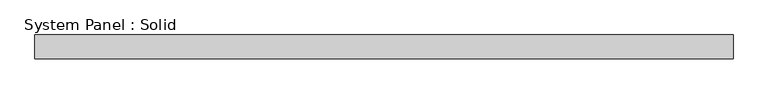
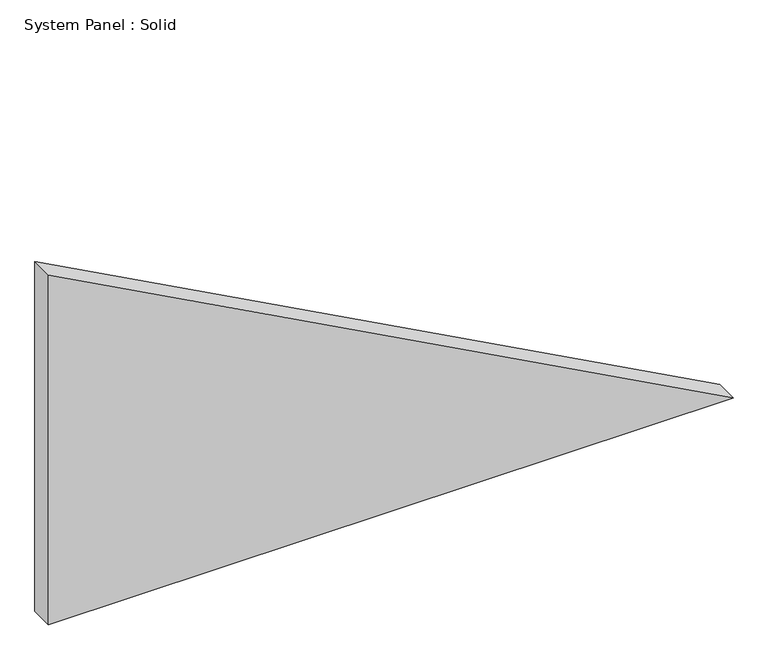
"""IFC4 building model written with IfcOpenShell, lengths in millimetres: plate geometry, System Panel : Solid."""

from ifc_helpers import new_model, si_unit, frame, origin, place, context, project, spatial, polyline, outline, extrude, source, transform, mapped, element, save


def system_panel_solid_5f149871(model_context):
    return source(origin(), model_context, "Body", "SweptSolid", [
        extrude(outline(polyline([(0.0, -873.903695), (0.0, 873.903695), (944.9074697, -873.903695), (0.0, -873.903695)])), frame((0.0, -10.5, 0.0), z_axis=(0.0, 1.0, 0.0), x_axis=(0.0, 0.0, 1.0)), (0.0, 0.0, 1.0), 60.0),
    ])


if __name__ == "__main__":
    model = new_model("IFC4")
    model_context = context("Model", 3, world=origin())
    ifc_project = project(units=[si_unit("LENGTHUNIT", "METRE", prefix="MILLI")], contexts=[model_context])
    site = spatial("IfcSite", under=ifc_project)
    building = spatial("IfcBuilding", under=site)
    placement = place(None, origin())
    system_panel_solid_shape = system_panel_solid_5f149871(model_context)
    element("IfcPlate", 1, ObjectType="System Panel : Solid", at=placement, inside=building, context=model_context, shape_type="MappedRepresentation", body=[
        mapped(system_panel_solid_shape, transform((0.0, 0.0, 0.0), x_axis=(1.0, 0.0, 0.0), y_axis=(0.0, 1.0, 0.0), z_axis=(0.0, 0.0, 1.0))),
    ])
    save(model, "model.ifc")
